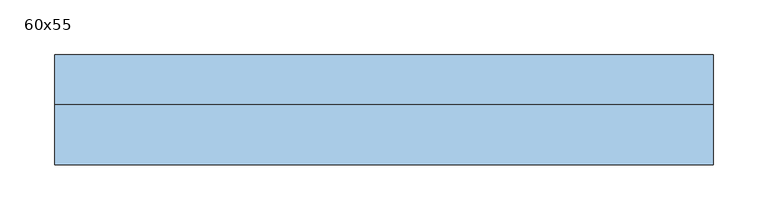
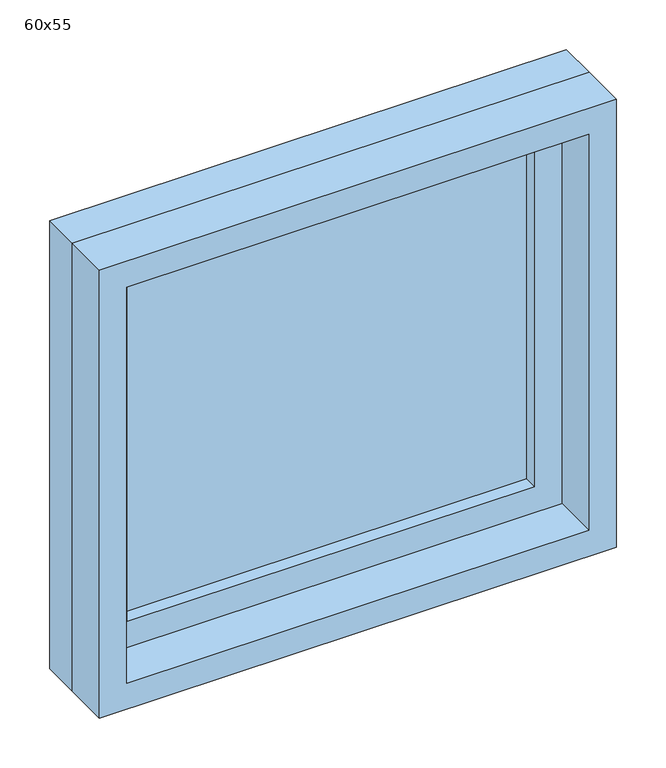
"""IFC4 building model written with IfcOpenShell, lengths in millimetres: window geometry, 60x55."""

from ifc_helpers import new_model, si_unit, frame, origin, place, context, project, spatial, polyline, outline, extrude, source, transform, mapped, element, save


def window_60x55_f002c18f(model_context):
    return source(origin(), model_context, "Body", "SweptSolid", [
        extrude(outline(polyline([(198.4, 20.425), (-274.6, 20.425), (-274.6, 33.125), (198.4, 33.125), (198.4, 20.425)])), frame((0.0, 0.0, 963.5), z_axis=(0.0, 0.0, 1.0), x_axis=(1.0, 0.0, 0.0)), (0.0, 0.0, 1.0), 423.0),
        extrude(outline(polyline([(1430.95, -319.05), (919.05, -319.05), (919.05, 242.85), (1430.95, 242.85), (1430.95, -319.05)]), holes=[polyline([(1386.5, -274.6), (1386.5, 198.4), (963.5, 198.4), (963.5, -274.6), (1386.5, -274.6)])]), frame((0.0, 4.55, 0.0), z_axis=(0.0, 1.0, 0.0), x_axis=(0.0, 0.0, 1.0)), (0.0, 0.0, 1.0), 44.45),
        extrude(outline(polyline([(1450.0, -338.1), (900.0, -338.1), (900.0, 261.9), (1450.0, 261.9), (1450.0, -338.1)]), holes=[polyline([(1418.25, -306.35), (1418.25, 230.15), (931.75, 230.15), (931.75, -306.35), (1418.25, -306.35)])]), frame((0.0, -50.0, 0.0), z_axis=(0.0, 1.0, 0.0), x_axis=(0.0, 0.0, 1.0)), (0.0, 0.0, 1.0), 54.55),
        extrude(outline(polyline([(1450.0, 261.9), (1450.0, -338.1), (900.0, -338.1), (900.0, 261.9), (1450.0, 261.9)]), holes=[polyline([(1430.95, 242.85), (919.05, 242.85), (919.05, -319.05), (1430.95, -319.05), (1430.95, 242.85)])]), frame((0.0, 4.55, 0.0), z_axis=(0.0, 1.0, 0.0), x_axis=(0.0, 0.0, 1.0)), (0.0, 0.0, 1.0), 45.45),
    ])


if __name__ == "__main__":
    model = new_model("IFC4")
    model_context = context("Model", 3, world=origin())
    ifc_project = project(units=[si_unit("LENGTHUNIT", "METRE", prefix="MILLI")], contexts=[model_context])
    site = spatial("IfcSite", under=ifc_project)
    building = spatial("IfcBuilding", under=site)
    placement = place(None, origin())
    window_60x55_shape = window_60x55_f002c18f(model_context)
    element("IfcWindow", 1, ObjectType="60x55", at=placement, inside=building, context=model_context, shape_type="MappedRepresentation", body=[
        mapped(window_60x55_shape, transform((0.0, 0.0, 0.0), x_axis=(1.0, 0.0, 0.0), y_axis=(0.0, 1.0, 0.0), z_axis=(0.0, 0.0, 1.0))),
    ])
    save(model, "model.ifc")
